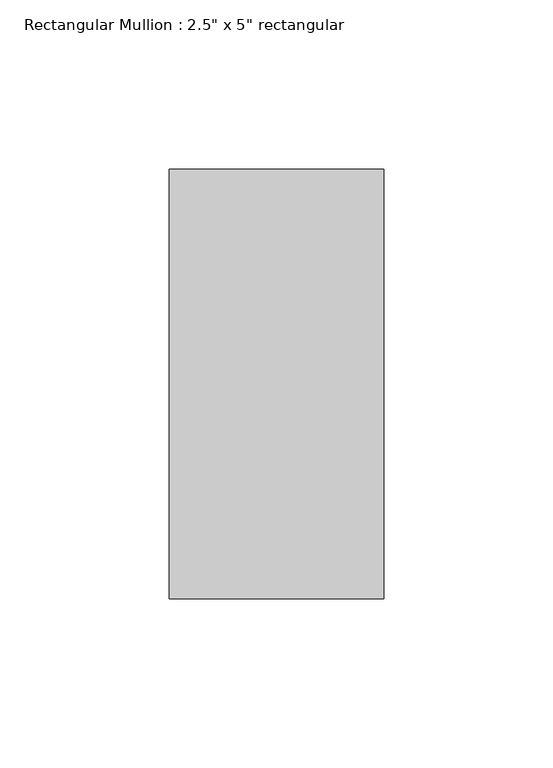
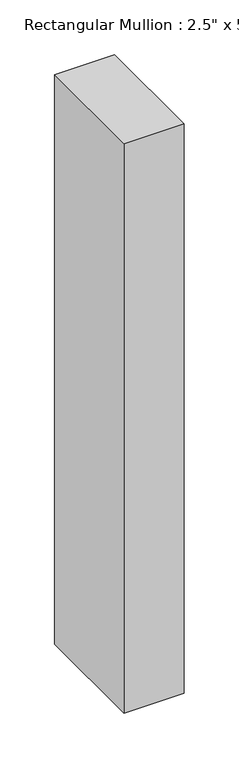
"""IFC4 building model written with IfcOpenShell, lengths in millimetres: member geometry."""

import ifcopenshell
import ifcopenshell.guid

model = None  # the IFC model being written
_history = None  # IfcOwnerHistory: only IFC2X3 demands one
_inside = {}  # id of a spatial element -> (the spatial element, [elements in it])
_under = {}  # id of a project, library or spatial element -> (it, [spatial elements below it])
_declared = {}  # id of a project -> (the project, [libraries it declares])
_typed = {}  # id of a type object -> (the type object, [elements of that type])
_made_of = {}  # id of a material, layer set ... -> (it, [elements and type objects made of it])


def new_model(schema):
    """Start an empty IFC model of exactly this schema.

    Asked for "IFC4X3", IfcOpenShell would pick the latest addendum, in which some entities
    have other attributes; the version numbers below select the first issue.
    IFC2X3 requires an IfcOwnerHistory on every rooted entity: one is made here for all.
    """
    global model, _history
    if schema == "IFC4X3":
        model = ifcopenshell.file(schema_version=(4, 3, 0, 0))
    else:
        model = ifcopenshell.file(schema=schema)
    _inside.clear()
    _under.clear()
    _declared.clear()
    _typed.clear()
    _made_of.clear()
    _history = None
    if model.schema == "IFC2X3":
        org = make("IfcOrganization", Name="unknown")
        user = make(
            "IfcPersonAndOrganization",
            ThePerson=make("IfcPerson", FamilyName="unknown"),
            TheOrganization=org,
        )
        app = make(
            "IfcApplication",
            ApplicationDeveloper=org,
            Version="unknown",
            ApplicationFullName="unknown",
            ApplicationIdentifier="unknown",
        )
        _history = make(
            "IfcOwnerHistory",
            OwningUser=user,
            OwningApplication=app,
            ChangeAction="ADDED",
            CreationDate=0,
        )
    return model


def make(cls, **values):
    """One entity of the class cls with the attributes given. An attribute that is None is left unset."""
    return model.create_entity(
        cls, **{name: value for name, value in values.items() if value is not None}
    )


def rooted(cls, **values):
    """An entity with a GlobalId (a new one), such as an element, a storey or a relation."""
    return make(cls, GlobalId=ifcopenshell.guid.new(), OwnerHistory=_history, **values)


def si_unit(unit_type, name, prefix=None):
    """IfcSIUnit, for example si_unit("LENGTHUNIT", "METRE", prefix="MILLI")."""
    return make("IfcSIUnit", UnitType=unit_type, Prefix=prefix, Name=name)


def assignment(units):
    """IfcUnitAssignment: the units of a project."""
    return None if units is None else make("IfcUnitAssignment", Units=units)


def point(xyz):
    """IfcCartesianPoint."""
    return None if xyz is None else make("IfcCartesianPoint", Coordinates=xyz)


def direction(xyz):
    """IfcDirection."""
    return None if xyz is None else make("IfcDirection", DirectionRatios=xyz)


def frame(location, z_axis=None, x_axis=None):
    """IfcAxis2Placement3D, a coordinate frame: its origin and axes. An axis left out is left unset."""
    return make(
        "IfcAxis2Placement3D",
        Location=point(location),
        Axis=direction(z_axis),
        RefDirection=direction(x_axis),
    )


def origin():
    """The frame at (0, 0, 0) with its axes left unset."""
    return frame((0.0, 0.0, 0.0))


def place(relative_to, where):
    """IfcLocalPlacement: puts the frame where relative to a parent placement (None: the world)."""
    return make(
        "IfcLocalPlacement", PlacementRelTo=relative_to, RelativePlacement=where
    )


def context(
    kind, dimensions, precision=None, world=None, true_north=None, identifier=None
):
    """IfcGeometricRepresentationContext, for example the 3D "Model" context."""
    return make(
        "IfcGeometricRepresentationContext",
        ContextIdentifier=identifier,
        ContextType=kind,
        CoordinateSpaceDimension=dimensions,
        Precision=precision,
        WorldCoordinateSystem=world,
        TrueNorth=true_north,
    )


def project(units=None, contexts=None):
    """IfcProject with its units and contexts."""
    return rooted(
        "IfcProject",
        Name="project",
        RepresentationContexts=contexts,
        UnitsInContext=assignment(units),
    )


def spatial(cls, under=None, at=None, **own):
    """A site, building, storey or space (cls), placed at a placement, below another one or the project."""
    s = rooted(cls, ObjectPlacement=at, **own)
    if under is not None:
        _under.setdefault(under.id(), (under, []))[1].append(s)
    return s


def polyline(points):
    """IfcPolyline through the points."""
    return make("IfcPolyline", Points=[point(p) for p in points])


def outline(outer, holes=None, kind="AREA"):
    """IfcArbitraryClosedProfileDef: a profile drawn as a closed curve; with holes, ...WithVoids."""
    if holes is None:
        return make("IfcArbitraryClosedProfileDef", ProfileType=kind, OuterCurve=outer)
    return make(
        "IfcArbitraryProfileDefWithVoids",
        ProfileType=kind,
        OuterCurve=outer,
        InnerCurves=holes,
    )


def extrude(swept, where, along, depth):
    """IfcExtrudedAreaSolid: the profile swept, set in the frame where, extruded along a direction by depth."""
    return make(
        "IfcExtrudedAreaSolid",
        SweptArea=swept,
        Position=where,
        ExtrudedDirection=direction(along),
        Depth=depth,
    )


def shape(context_of_items, identifier, shape_type, items):
    """IfcShapeRepresentation: the items that make up one representation, for example the "Body"."""
    return make(
        "IfcShapeRepresentation",
        ContextOfItems=context_of_items,
        RepresentationIdentifier=identifier,
        RepresentationType=shape_type,
        Items=items,
    )


def source(mapping_origin, context_of_items, identifier, shape_type, items):
    """IfcRepresentationMap: a shape defined once, which mapped items show again and again."""
    return make(
        "IfcRepresentationMap",
        MappingOrigin=mapping_origin,
        MappedRepresentation=shape(context_of_items, identifier, shape_type, items),
    )


def transform(
    local_origin,
    x_axis=None,
    y_axis=None,
    z_axis=None,
    scale=None,
    scale2=None,
    scale3=None,
    uniform=True,
):
    """IfcCartesianTransformationOperator3D, or its non-uniform kind. x_axis, y_axis, z_axis: its Axis1, 2, 3."""
    if uniform:
        return make(
            "IfcCartesianTransformationOperator3D",
            Axis1=direction(x_axis),
            Axis2=direction(y_axis),
            LocalOrigin=point(local_origin),
            Scale=scale,
            Axis3=direction(z_axis),
        )
    return make(
        "IfcCartesianTransformationOperator3DnonUniform",
        Axis1=direction(x_axis),
        Axis2=direction(y_axis),
        LocalOrigin=point(local_origin),
        Scale=scale,
        Axis3=direction(z_axis),
        Scale2=scale2,
        Scale3=scale3,
    )


def mapped(mapping_source, mapping_target):
    """IfcMappedItem: shows the shape of a source again, moved by a transform."""
    return make(
        "IfcMappedItem", MappingSource=mapping_source, MappingTarget=mapping_target
    )


def made_of(thing, what):
    """Note that an element or type object is made of a material, layer set ...; save() writes the relation."""
    if what is not None:
        _made_of.setdefault(what.id(), (what, []))[1].append(thing)
    return thing


def element(
    cls,
    number,
    at=None,
    inside=None,
    cuts=None,
    type_object=None,
    material=None,
    context=None,
    identifier="Body",
    shape_type=None,
    held_by="IfcProductDefinitionShape",
    body=None,
    shapes=None,
    **own,
):
    """One element of the class cls, such as IfcWall. Its Tag is "e" and its number.

    at: its placement. inside: the storey or other place that contains it. cuts: it is an
    opening in that element (IfcRelVoidsElement). A single representation is given by context,
    identifier, shape_type and body (its items); several are given by shapes. held_by: the class
    of the entity that holds the representations. save() writes the other relations.
    """
    e = rooted(cls, Tag="e%d" % number, ObjectPlacement=at, **own)
    if body is not None:
        shapes = [shape(context, identifier, shape_type, body)]
    if shapes is not None:
        e.Representation = make(held_by, Representations=shapes)
    if inside is not None:
        _inside.setdefault(inside.id(), (inside, []))[1].append(e)
    if cuts is not None:
        rooted(
            "IfcRelVoidsElement", RelatingBuildingElement=cuts, RelatedOpeningElement=e
        )
    if type_object is not None:
        _typed.setdefault(type_object.id(), (type_object, []))[1].append(e)
    return made_of(e, material)


def aggregate(whole, parts):
    """IfcRelAggregates: a whole, such as a stair, and the parts it consists of."""
    return rooted("IfcRelAggregates", RelatingObject=whole, RelatedObjects=parts)


def save(model, path):
    """Write the relations noted so far, then the file.

    IfcRelAggregates (storeys below a building ...), IfcRelContainedInSpatialStructure (elements
    in a storey), IfcRelDefinesByType, IfcRelAssociatesMaterial and IfcRelDeclares: one each for
    every whole, place, type object, material and project.
    """
    for whole, parts in _under.values():
        aggregate(whole, parts)
    for where, things in _inside.values():
        rooted(
            "IfcRelContainedInSpatialStructure",
            RelatedElements=things,
            RelatingStructure=where,
        )
    for kind, things in _typed.values():
        rooted("IfcRelDefinesByType", RelatedObjects=things, RelatingType=kind)
    for what, things in _made_of.values():
        rooted("IfcRelAssociatesMaterial", RelatedObjects=things, RelatingMaterial=what)
    for by, libraries in _declared.values():
        rooted("IfcRelDeclares", RelatingContext=by, RelatedDefinitions=libraries)
    model.write(path)


def member_5e365d0c(model_context):
    return source(origin(), model_context, "Body", "SweptSolid", [
        extrude(outline(polyline([(0.0, 63.5), (0.0, -63.5), (-63.5, -63.5), (-63.5, 63.5), (0.0, 63.5)])), frame((0.0, 0.0, -635.0), z_axis=(0.0, 0.0, 1.0), x_axis=(1.0, 0.0, 0.0)), (0.0, 0.0, 1.0), 635.0),
    ])


if __name__ == "__main__":
    model = new_model("IFC4")
    model_context = context("Model", 3, world=origin())
    ifc_project = project(units=[si_unit("LENGTHUNIT", "METRE", prefix="MILLI")], contexts=[model_context])
    site = spatial("IfcSite", under=ifc_project)
    building = spatial("IfcBuilding", under=site)
    placement = place(None, origin())
    member_shape = member_5e365d0c(model_context)
    element("IfcMember", 1, ObjectType="Rectangular Mullion : 2.5\" x 5\" rectangular", at=placement, inside=building, context=model_context, shape_type="MappedRepresentation", body=[
        mapped(member_shape, transform((0.0, 0.0, 0.0), x_axis=(1.0, 0.0, 0.0), y_axis=(0.0, 1.0, 0.0), z_axis=(0.0, 0.0, 1.0))),
    ])
    save(model, "model.ifc")
